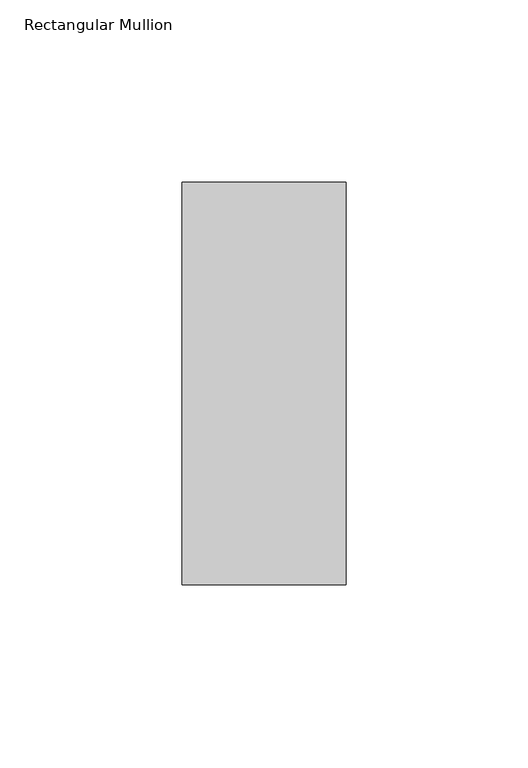
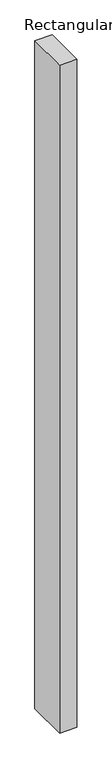
"""IFC4 building model written with IfcOpenShell, lengths in millimetres: member geometry, Rectangular Mullion."""

from ifc_helpers import new_model, si_unit, frame, origin, place, context, project, spatial, polyline, outline, extrude, source, transform, mapped, element, save


def rectangular_mullion_725dfc4d(model_context):
    return source(origin(), model_context, "Body", "SweptSolid", [
        extrude(outline(polyline([(-45.0, 70.7), (0.0, 70.7), (0.0, -39.7), (-45.0, -39.7), (-45.0, 70.7)])), frame((0.0, 0.0, -1828.8), z_axis=(0.0, 0.0, 1.0), x_axis=(1.0, 0.0, 0.0)), (0.0, 0.0, 1.0), 1828.8),
    ])


if __name__ == "__main__":
    model = new_model("IFC4")
    model_context = context("Model", 3, world=origin())
    ifc_project = project(units=[si_unit("LENGTHUNIT", "METRE", prefix="MILLI")], contexts=[model_context])
    site = spatial("IfcSite", under=ifc_project)
    building = spatial("IfcBuilding", under=site)
    placement = place(None, origin())
    rectangular_mullion_shape = rectangular_mullion_725dfc4d(model_context)
    element("IfcMember", 1, ObjectType="Rectangular Mullion", at=placement, inside=building, context=model_context, shape_type="MappedRepresentation", body=[
        mapped(rectangular_mullion_shape, transform((0.0, 0.0, 0.0), x_axis=(1.0, 0.0, 0.0), y_axis=(0.0, 1.0, 0.0), z_axis=(0.0, 0.0, 1.0))),
    ])
    save(model, "model.ifc")
